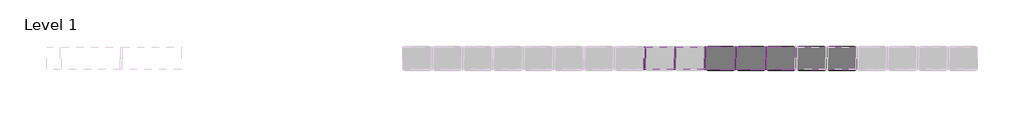
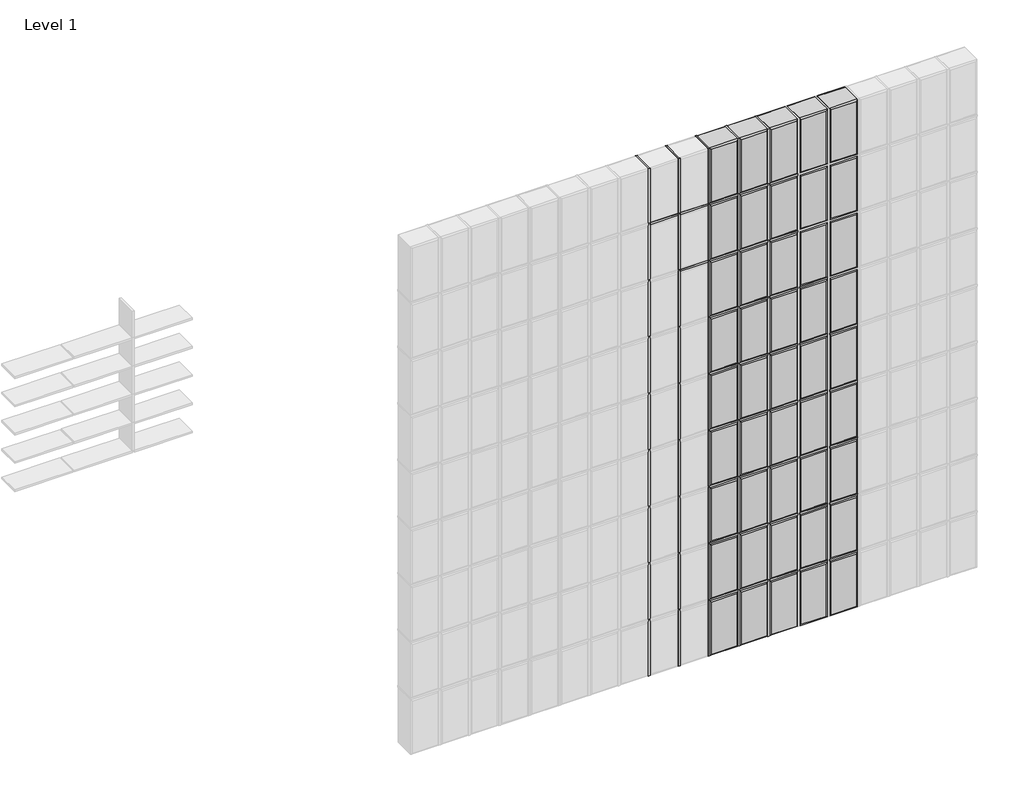
# One storey, part 15 of 16: 83 members, 45 plates.
"""IFC4 building model written with IfcOpenShell, lengths in millimetres."""

import ifcopenshell
import ifcopenshell.guid

model = None  # the IFC model being written
_history = None  # IfcOwnerHistory: only IFC2X3 demands one
_inside = {}  # id of a spatial element -> (the spatial element, [elements in it])
_under = {}  # id of a project, library or spatial element -> (it, [spatial elements below it])
_declared = {}  # id of a project -> (the project, [libraries it declares])
_typed = {}  # id of a type object -> (the type object, [elements of that type])
_made_of = {}  # id of a material, layer set ... -> (it, [elements and type objects made of it])


def new_model(schema):
    """Start an empty IFC model of exactly this schema.

    Asked for "IFC4X3", IfcOpenShell would pick the latest addendum, in which some entities
    have other attributes; the version numbers below select the first issue.
    IFC2X3 requires an IfcOwnerHistory on every rooted entity: one is made here for all.
    """
    global model, _history
    if schema == "IFC4X3":
        model = ifcopenshell.file(schema_version=(4, 3, 0, 0))
    else:
        model = ifcopenshell.file(schema=schema)
    _inside.clear()
    _under.clear()
    _declared.clear()
    _typed.clear()
    _made_of.clear()
    _history = None
    if model.schema == "IFC2X3":
        org = make("IfcOrganization", Name="unknown")
        user = make(
            "IfcPersonAndOrganization",
            ThePerson=make("IfcPerson", FamilyName="unknown"),
            TheOrganization=org,
        )
        app = make(
            "IfcApplication",
            ApplicationDeveloper=org,
            Version="unknown",
            ApplicationFullName="unknown",
            ApplicationIdentifier="unknown",
        )
        _history = make(
            "IfcOwnerHistory",
            OwningUser=user,
            OwningApplication=app,
            ChangeAction="ADDED",
            CreationDate=0,
        )
    return model


def make(cls, **values):
    """One entity of the class cls with the attributes given. An attribute that is None is left unset."""
    return model.create_entity(
        cls, **{name: value for name, value in values.items() if value is not None}
    )


def rooted(cls, **values):
    """An entity with a GlobalId (a new one), such as an element, a storey or a relation."""
    return make(cls, GlobalId=ifcopenshell.guid.new(), OwnerHistory=_history, **values)


def si_unit(unit_type, name, prefix=None):
    """IfcSIUnit, for example si_unit("LENGTHUNIT", "METRE", prefix="MILLI")."""
    return make("IfcSIUnit", UnitType=unit_type, Prefix=prefix, Name=name)


def assignment(units):
    """IfcUnitAssignment: the units of a project."""
    return None if units is None else make("IfcUnitAssignment", Units=units)


def point(xyz):
    """IfcCartesianPoint."""
    return None if xyz is None else make("IfcCartesianPoint", Coordinates=xyz)


def direction(xyz):
    """IfcDirection."""
    return None if xyz is None else make("IfcDirection", DirectionRatios=xyz)


def frame(location, z_axis=None, x_axis=None):
    """IfcAxis2Placement3D, a coordinate frame: its origin and axes. An axis left out is left unset."""
    return make(
        "IfcAxis2Placement3D",
        Location=point(location),
        Axis=direction(z_axis),
        RefDirection=direction(x_axis),
    )


def origin():
    """The frame at (0, 0, 0) with its axes left unset."""
    return frame((0.0, 0.0, 0.0))


def place(relative_to, where):
    """IfcLocalPlacement: puts the frame where relative to a parent placement (None: the world)."""
    return make(
        "IfcLocalPlacement", PlacementRelTo=relative_to, RelativePlacement=where
    )


def context(
    kind, dimensions, precision=None, world=None, true_north=None, identifier=None
):
    """IfcGeometricRepresentationContext, for example the 3D "Model" context."""
    return make(
        "IfcGeometricRepresentationContext",
        ContextIdentifier=identifier,
        ContextType=kind,
        CoordinateSpaceDimension=dimensions,
        Precision=precision,
        WorldCoordinateSystem=world,
        TrueNorth=true_north,
    )


def project(units=None, contexts=None):
    """IfcProject with its units and contexts."""
    return rooted(
        "IfcProject",
        Name="project",
        RepresentationContexts=contexts,
        UnitsInContext=assignment(units),
    )


def spatial(cls, under=None, at=None, **own):
    """A site, building, storey or space (cls), placed at a placement, below another one or the project."""
    s = rooted(cls, ObjectPlacement=at, **own)
    if under is not None:
        _under.setdefault(under.id(), (under, []))[1].append(s)
    return s


def polyline(points):
    """IfcPolyline through the points."""
    return make("IfcPolyline", Points=[point(p) for p in points])


def ellipse_curve(where, semi_axis1, semi_axis2):
    """IfcEllipse in the frame where."""
    return make(
        "IfcEllipse", Position=where, SemiAxis1=semi_axis1, SemiAxis2=semi_axis2
    )


def outline(outer, holes=None, kind="AREA"):
    """IfcArbitraryClosedProfileDef: a profile drawn as a closed curve; with holes, ...WithVoids."""
    if holes is None:
        return make("IfcArbitraryClosedProfileDef", ProfileType=kind, OuterCurve=outer)
    return make(
        "IfcArbitraryProfileDefWithVoids",
        ProfileType=kind,
        OuterCurve=outer,
        InnerCurves=holes,
    )


def extrude(swept, where, along, depth):
    """IfcExtrudedAreaSolid: the profile swept, set in the frame where, extruded along a direction by depth."""
    return make(
        "IfcExtrudedAreaSolid",
        SweptArea=swept,
        Position=where,
        ExtrudedDirection=direction(along),
        Depth=depth,
    )


def shape(context_of_items, identifier, shape_type, items):
    """IfcShapeRepresentation: the items that make up one representation, for example the "Body"."""
    return make(
        "IfcShapeRepresentation",
        ContextOfItems=context_of_items,
        RepresentationIdentifier=identifier,
        RepresentationType=shape_type,
        Items=items,
    )


def source(mapping_origin, context_of_items, identifier, shape_type, items):
    """IfcRepresentationMap: a shape defined once, which mapped items show again and again."""
    return make(
        "IfcRepresentationMap",
        MappingOrigin=mapping_origin,
        MappedRepresentation=shape(context_of_items, identifier, shape_type, items),
    )


def transform(
    local_origin,
    x_axis=None,
    y_axis=None,
    z_axis=None,
    scale=None,
    scale2=None,
    scale3=None,
    uniform=True,
):
    """IfcCartesianTransformationOperator3D, or its non-uniform kind. x_axis, y_axis, z_axis: its Axis1, 2, 3."""
    if uniform:
        return make(
            "IfcCartesianTransformationOperator3D",
            Axis1=direction(x_axis),
            Axis2=direction(y_axis),
            LocalOrigin=point(local_origin),
            Scale=scale,
            Axis3=direction(z_axis),
        )
    return make(
        "IfcCartesianTransformationOperator3DnonUniform",
        Axis1=direction(x_axis),
        Axis2=direction(y_axis),
        LocalOrigin=point(local_origin),
        Scale=scale,
        Axis3=direction(z_axis),
        Scale2=scale2,
        Scale3=scale3,
    )


def mapped(mapping_source, mapping_target):
    """IfcMappedItem: shows the shape of a source again, moved by a transform."""
    return make(
        "IfcMappedItem", MappingSource=mapping_source, MappingTarget=mapping_target
    )


def made_of(thing, what):
    """Note that an element or type object is made of a material, layer set ...; save() writes the relation."""
    if what is not None:
        _made_of.setdefault(what.id(), (what, []))[1].append(thing)
    return thing


def element(
    cls,
    number,
    at=None,
    inside=None,
    cuts=None,
    type_object=None,
    material=None,
    context=None,
    identifier="Body",
    shape_type=None,
    held_by="IfcProductDefinitionShape",
    body=None,
    shapes=None,
    **own,
):
    """One element of the class cls, such as IfcWall. Its Tag is "e" and its number.

    at: its placement. inside: the storey or other place that contains it. cuts: it is an
    opening in that element (IfcRelVoidsElement). A single representation is given by context,
    identifier, shape_type and body (its items); several are given by shapes. held_by: the class
    of the entity that holds the representations. save() writes the other relations.
    """
    e = rooted(cls, Tag="e%d" % number, ObjectPlacement=at, **own)
    if body is not None:
        shapes = [shape(context, identifier, shape_type, body)]
    if shapes is not None:
        e.Representation = make(held_by, Representations=shapes)
    if inside is not None:
        _inside.setdefault(inside.id(), (inside, []))[1].append(e)
    if cuts is not None:
        rooted(
            "IfcRelVoidsElement", RelatingBuildingElement=cuts, RelatedOpeningElement=e
        )
    if type_object is not None:
        _typed.setdefault(type_object.id(), (type_object, []))[1].append(e)
    return made_of(e, material)


def aggregate(whole, parts):
    """IfcRelAggregates: a whole, such as a stair, and the parts it consists of."""
    return rooted("IfcRelAggregates", RelatingObject=whole, RelatedObjects=parts)


def save(model, path):
    """Write the relations noted so far, then the file.

    IfcRelAggregates (storeys below a building ...), IfcRelContainedInSpatialStructure (elements
    in a storey), IfcRelDefinesByType, IfcRelAssociatesMaterial and IfcRelDeclares: one each for
    every whole, place, type object, material and project.
    """
    for whole, parts in _under.values():
        aggregate(whole, parts)
    for where, things in _inside.values():
        rooted(
            "IfcRelContainedInSpatialStructure",
            RelatedElements=things,
            RelatingStructure=where,
        )
    for kind, things in _typed.values():
        rooted("IfcRelDefinesByType", RelatedObjects=things, RelatingType=kind)
    for what, things in _made_of.values():
        rooted("IfcRelAssociatesMaterial", RelatedObjects=things, RelatingMaterial=what)
    for by, libraries in _declared.values():
        rooted("IfcRelDeclares", RelatingContext=by, RelatedDefinitions=libraries)
    model.write(path)


def plane_surface(at):
    """IfcPlane: the flat surface through the origin of the frame at, square to its z axis."""
    return make("IfcPlane", Position=at)


def cylinder_surface(at, radius):
    """IfcCylindricalSurface: all points at the distance radius from the z axis of the frame at."""
    return make("IfcCylindricalSurface", Position=at, Radius=radius)


def advanced_brep(points, edges, surfaces, faces):
    """IfcAdvancedBrep: a solid bounded by faces that lie on surfaces and meet in shared edges.

    An edge is (start, end): straight between two places in points (the first is 0);
    or (start, end, curve); or (start, end, curve, False) where it runs against its curve.
    A face is (place in surfaces, loops), or (place, loops, False) where it looks against
    its surface's normal. A loop lists edges by number (the first is 1), with a minus sign
    where the edge is run from its end to its start. The first loop is the outer one.
    """
    corners = [point(p) for p in points]
    vertices = [make("IfcVertexPoint", VertexGeometry=c) for c in corners]
    made = []
    for start, end, *more in edges:
        made.append(
            make(
                "IfcEdgeCurve",
                EdgeStart=vertices[start],
                EdgeEnd=vertices[end],
                EdgeGeometry=more[0] if more else make("IfcPolyline", Points=[corners[start], corners[end]]),
                SameSense=more[1] if len(more) > 1 else True,
            )
        )
    hull = []
    for where, loops, *sense in faces:
        bounds = []
        for j, loop in enumerate(loops):
            ring = [make("IfcOrientedEdge", EdgeElement=made[abs(k) - 1], Orientation=k > 0) for k in loop]
            bounds.append(
                make(
                    "IfcFaceOuterBound" if j == 0 else "IfcFaceBound",
                    Bound=make("IfcEdgeLoop", EdgeList=ring),
                    Orientation=True,
                )
            )
        hull.append(make("IfcAdvancedFace", Bounds=bounds, FaceSurface=surfaces[where], SameSense=sense[0] if sense else True))
    return make("IfcAdvancedBrep", Outer=make("IfcClosedShell", CfsFaces=hull))


def rectangular_mullion_b0a853b3(model_context):
    return source(origin(), model_context, "Body", "SweptSolid", [
        extrude(outline(polyline([(0.0, 38.1), (0.0, -38.1), (-6.35, -38.1), (-6.35, 38.1), (0.0, 38.1)])), frame((0.0, 0.0, -203.2), z_axis=(0.0, 0.0, 1.0), x_axis=(1.0, 0.0, 0.0)), (0.0, 0.0, 1.0), 203.2),
    ])


def rectangular_mullion_355404e9(model_context):
    return source(origin(), model_context, "Body", "SweptSolid", [
        extrude(outline(polyline([(0.0, 38.1), (0.0, -38.1), (-6.35, -38.1), (-6.35, 38.1), (0.0, 38.1)])), frame((0.0, 0.0, -95.25), z_axis=(0.0, 0.0, 1.0), x_axis=(1.0, 0.0, 0.0)), (0.0, 0.0, 1.0), 95.25),
    ])


def rectangular_mullion_cbf76049(model_context):
    return source(origin(), model_context, "Body", "SweptSolid", [
        extrude(outline(polyline([(0.0, 38.1), (0.0, -38.1), (-6.35, -38.1), (-6.35, 38.1), (0.0, 38.1)])), frame((0.0, 0.0, -197.0560278), z_axis=(0.0, 0.0, 1.0), x_axis=(1.0, 0.0, 0.0)), (0.0, 0.0, 1.0), 197.0560278),
    ])


def plate_f3653162(model_context):
    return source(origin(), model_context, "Body", "AdvancedBrep", [
        advanced_brep(
        [(-47.625, -35.0, 196.9869895), (47.375, -35.0, 196.9869895), (47.375, 35.0, 196.9869895), (-47.625, 35.0, 196.9869895), (47.375, -35.0, 0.0), (-47.625, -35.0, 0.0), (-47.625, 35.0, 0.0), (47.375, 35.0, 0.0), (-42.625, -40.0, 5.0), (42.375, -40.0, 5.0), (42.375, -40.0, 191.9869895), (-42.625, -40.0, 191.9869895), (42.375, 40.0, 5.0), (-42.625, 40.0, 5.0), (-42.625, 40.0, 191.9869895), (42.375, 40.0, 191.9869895)],
        [
            (0, 1),
            (1, 2),
            (2, 3),
            (3, 0),
            (4, 5),
            (5, 6),
            (6, 7),
            (7, 4),
            (8, 9),
            (9, 10),
            (10, 11),
            (11, 8),
            (1, 4),
            (7, 2),
            (12, 13),
            (13, 14),
            (14, 15),
            (15, 12),
            (5, 0),
            (3, 6),
            (4, 9, ellipse_curve(frame((42.375, -35.0, 5.0), z_axis=(-0.7071067811865475, 0.0, -0.7071067811865475), x_axis=(0.7071067811865476, 0.0, -0.7071067811865474)), 7.0710678, 5.0)),
            (8, 5, ellipse_curve(frame((-42.625, -35.0, 5.0), z_axis=(0.7071067811865475, 0.0, -0.7071067811865475), x_axis=(0.7071067811865476, 0.0, 0.7071067811865474)), 7.0710678, 5.0)),
            (1, 10, ellipse_curve(frame((42.375, -35.0, 191.9869895), z_axis=(0.7071067811865475, 0.0, -0.7071067811865475), x_axis=(0.7071067811865474, 0.0, 0.7071067811865476)), 7.0710678, 5.0)),
            (0, 11, ellipse_curve(frame((-42.625, -35.0, 191.9869895), z_axis=(0.7071067811865475, 0.0, 0.7071067811865475), x_axis=(-0.7071067811865476, 0.0, 0.7071067811865474)), 7.0710678, 5.0)),
            (12, 7, ellipse_curve(frame((42.375, 35.0, 5.0), z_axis=(-0.7071067811865475, 0.0, -0.7071067811865475), x_axis=(0.7071067811865476, 0.0, -0.7071067811865474)), 7.0710678, 5.0)),
            (6, 13, ellipse_curve(frame((-42.625, 35.0, 5.0), z_axis=(0.7071067811865475, 0.0, -0.7071067811865475), x_axis=(0.7071067811865476, 0.0, 0.7071067811865474)), 7.0710678, 5.0)),
            (15, 2, ellipse_curve(frame((42.375, 35.0, 191.9869895), z_axis=(0.7071067811865475, 0.0, -0.7071067811865475), x_axis=(0.7071067811865474, 0.0, 0.7071067811865476)), 7.0710678, 5.0)),
            (14, 3, ellipse_curve(frame((-42.625, 35.0, 191.9869895), z_axis=(0.7071067811865475, 0.0, 0.7071067811865475), x_axis=(-0.7071067811865476, 0.0, 0.7071067811865474)), 7.0710678, 5.0)),
        ],
        [
            plane_surface(frame((-47.625, -40.0, 196.9869895), z_axis=(0.0, 0.0, 1.0), x_axis=(1.0, 0.0, 0.0))),
            plane_surface(frame((-47.625, -40.0, 0.0), z_axis=(0.0, 0.0, -1.0), x_axis=(-1.0, 0.0, 0.0))),
            plane_surface(frame((-47.625, -40.0, 196.9869895), z_axis=(0.0, -1.0, 0.0), x_axis=(0.0, 0.0, -1.0))),
            plane_surface(frame((47.375, -40.0, 196.9869895), z_axis=(1.0, 0.0, 0.0), x_axis=(0.0, 0.0, -1.0))),
            plane_surface(frame((47.375, 40.0, 196.9869895), z_axis=(0.0, 1.0, 0.0), x_axis=(0.0, 0.0, -1.0))),
            plane_surface(frame((-47.625, 40.0, 196.9869895), z_axis=(-1.0, 0.0, 0.0), x_axis=(0.0, 0.0, -1.0))),
            cylinder_surface(frame((-47.625, -35.0, 5.0), z_axis=(1.0, 0.0, 0.0), x_axis=(0.0, 0.0, -1.0)), 5.0),
            cylinder_surface(frame((42.375, -35.0, 0.0), z_axis=(0.0, 0.0, 1.0), x_axis=(1.0, 0.0, 0.0)), 5.0),
            cylinder_surface(frame((47.375, -35.0, 191.9869895), z_axis=(-1.0, 0.0, 0.0), x_axis=(0.0, 0.0, 1.0)), 5.0),
            cylinder_surface(frame((-42.625, -35.0, 196.9869895), z_axis=(0.0, 0.0, -1.0), x_axis=(-1.0, 0.0, 0.0)), 5.0),
            cylinder_surface(frame((-47.625, 35.0, 5.0), z_axis=(1.0, 0.0, 0.0), x_axis=(0.0, 0.0, -1.0)), 5.0),
            cylinder_surface(frame((42.375, 35.0, 0.0), z_axis=(0.0, 0.0, 1.0), x_axis=(1.0, 0.0, 0.0)), 5.0),
            cylinder_surface(frame((47.375, 35.0, 191.9869895), z_axis=(-1.0, 0.0, 0.0), x_axis=(0.0, 0.0, 1.0)), 5.0),
            cylinder_surface(frame((-42.625, 35.0, 196.9869895), z_axis=(0.0, 0.0, -1.0), x_axis=(-1.0, 0.0, 0.0)), 5.0),
        ],
        [
            (0, [[1, 2, 3, 4]]),
            (1, [[5, 6, 7, 8]]),
            (2, [[9, 10, 11, 12]]),
            (3, [[13, -8, 14, -2]]),
            (4, [[15, 16, 17, 18]]),
            (5, [[19, -4, 20, -6]]),
            (6, [[21, -9, 22, -5]]),
            (7, [[-21, -13, 23, -10]]),
            (8, [[-23, -1, 24, -11]]),
            (9, [[-22, -12, -24, -19]]),
            (10, [[25, -7, 26, -15]]),
            (11, [[-25, -18, 27, -14]]),
            (12, [[-27, -17, 28, -3]]),
            (13, [[-26, -20, -28, -16]]),
        ],
    ),
    ])


model = new_model("IFC4")

# Units and contexts
model_context = context("Model", 3, world=origin())
ifc_project = project(units=[si_unit("LENGTHUNIT", "METRE", prefix="MILLI")], contexts=[model_context])

# Site, building, storey
site = spatial("IfcSite", under=ifc_project)
building = spatial("IfcBuilding", under=site)
storey = spatial("IfcBuildingStorey", under=building, Name="Level 1", Elevation=0.0)

# Members
placement = place(None, origin())
rectangular_mullion_shape = rectangular_mullion_b0a853b3(model_context)
element("IfcMember", 1, ObjectType="Rectangular Mullion", at=placement, inside=storey, context=model_context, shape_type="MappedRepresentation", body=[
    mapped(rectangular_mullion_shape, transform((15249.1435515, 1505.1519435, 203.2), x_axis=(1.0, 0.0, 0.0), y_axis=(0.0, -1.0, 0.0), z_axis=(0.0, 0.0, -1.0))),
])
element("IfcMember", 2, ObjectType="Rectangular Mullion", at=placement, inside=storey, context=model_context, shape_type="MappedRepresentation", body=[
    mapped(rectangular_mullion_shape, transform((15350.7435515, 1505.1519435, 203.2), x_axis=(1.0, 0.0, 0.0), y_axis=(0.0, -1.0, 0.0), z_axis=(0.0, 0.0, -1.0))),
])
element("IfcMember", 3, ObjectType="Rectangular Mullion", at=placement, inside=storey, context=model_context, shape_type="MappedRepresentation", body=[
    mapped(rectangular_mullion_shape, transform((15249.1435515, 1505.1519435, 406.4), x_axis=(1.0, 0.0, 0.0), y_axis=(0.0, -1.0, 0.0), z_axis=(0.0, 0.0, -1.0))),
])
element("IfcMember", 4, ObjectType="Rectangular Mullion", at=placement, inside=storey, context=model_context, shape_type="MappedRepresentation", body=[
    mapped(rectangular_mullion_shape, transform((15350.7435515, 1505.1519435, 406.4), x_axis=(1.0, 0.0, 0.0), y_axis=(0.0, -1.0, 0.0), z_axis=(0.0, 0.0, -1.0))),
])
element("IfcMember", 5, ObjectType="Rectangular Mullion", at=placement, inside=storey, context=model_context, shape_type="MappedRepresentation", body=[
    mapped(rectangular_mullion_shape, transform((15249.1435515, 1505.1519435, 609.6), x_axis=(1.0, 0.0, 0.0), y_axis=(0.0, -1.0, 0.0), z_axis=(0.0, 0.0, -1.0))),
])
element("IfcMember", 6, ObjectType="Rectangular Mullion", at=placement, inside=storey, context=model_context, shape_type="MappedRepresentation", body=[
    mapped(rectangular_mullion_shape, transform((15350.7435515, 1505.1519435, 609.6), x_axis=(1.0, 0.0, 0.0), y_axis=(0.0, -1.0, 0.0), z_axis=(0.0, 0.0, -1.0))),
])
element("IfcMember", 7, ObjectType="Rectangular Mullion", at=placement, inside=storey, context=model_context, shape_type="MappedRepresentation", body=[
    mapped(rectangular_mullion_shape, transform((15249.1435515, 1505.1519435, 812.8), x_axis=(1.0, 0.0, 0.0), y_axis=(0.0, -1.0, 0.0), z_axis=(0.0, 0.0, -1.0))),
])
element("IfcMember", 8, ObjectType="Rectangular Mullion", at=placement, inside=storey, context=model_context, shape_type="MappedRepresentation", body=[
    mapped(rectangular_mullion_shape, transform((15350.7435515, 1505.1519435, 812.8), x_axis=(1.0, 0.0, 0.0), y_axis=(0.0, -1.0, 0.0), z_axis=(0.0, 0.0, -1.0))),
])
element("IfcMember", 9, ObjectType="Rectangular Mullion", at=placement, inside=storey, context=model_context, shape_type="MappedRepresentation", body=[
    mapped(rectangular_mullion_shape, transform((15249.1435515, 1505.1519435, 1016.0), x_axis=(1.0, 0.0, 0.0), y_axis=(0.0, -1.0, 0.0), z_axis=(0.0, 0.0, -1.0))),
])
element("IfcMember", 10, ObjectType="Rectangular Mullion", at=placement, inside=storey, context=model_context, shape_type="MappedRepresentation", body=[
    mapped(rectangular_mullion_shape, transform((15350.7435515, 1505.1519435, 1016.0), x_axis=(1.0, 0.0, 0.0), y_axis=(0.0, -1.0, 0.0), z_axis=(0.0, 0.0, -1.0))),
])
element("IfcMember", 11, ObjectType="Rectangular Mullion", at=placement, inside=storey, context=model_context, shape_type="MappedRepresentation", body=[
    mapped(rectangular_mullion_shape, transform((15249.1435515, 1505.1519435, 1219.2), x_axis=(1.0, 0.0, 0.0), y_axis=(0.0, -1.0, 0.0), z_axis=(0.0, 0.0, -1.0))),
])
element("IfcMember", 12, ObjectType="Rectangular Mullion", at=placement, inside=storey, context=model_context, shape_type="MappedRepresentation", body=[
    mapped(rectangular_mullion_shape, transform((15350.7435515, 1505.1519435, 1219.2), x_axis=(1.0, 0.0, 0.0), y_axis=(0.0, -1.0, 0.0), z_axis=(0.0, 0.0, -1.0))),
])
element("IfcMember", 13, ObjectType="Rectangular Mullion", at=placement, inside=storey, context=model_context, shape_type="MappedRepresentation", body=[
    mapped(rectangular_mullion_shape, transform((15249.1435515, 1505.1519435, 1422.4), x_axis=(1.0, 0.0, 0.0), y_axis=(0.0, -1.0, 0.0), z_axis=(0.0, 0.0, -1.0))),
])
element("IfcMember", 14, ObjectType="Rectangular Mullion", at=placement, inside=storey, context=model_context, shape_type="MappedRepresentation", body=[
    mapped(rectangular_mullion_shape, transform((15350.7435515, 1505.1519435, 1422.4), x_axis=(1.0, 0.0, 0.0), y_axis=(0.0, -1.0, 0.0), z_axis=(0.0, 0.0, -1.0))),
])
element("IfcMember", 15, ObjectType="Rectangular Mullion", at=placement, inside=storey, context=model_context, shape_type="MappedRepresentation", body=[
    mapped(rectangular_mullion_shape, transform((15452.3435515, 1505.1519435, 203.2), x_axis=(1.0, 0.0, 0.0), y_axis=(0.0, -1.0, 0.0), z_axis=(0.0, 0.0, -1.0))),
])
element("IfcMember", 16, ObjectType="Rectangular Mullion", at=placement, inside=storey, context=model_context, shape_type="MappedRepresentation", body=[
    mapped(rectangular_mullion_shape, transform((15553.9435515, 1505.1519435, 203.2), x_axis=(1.0, 0.0, 0.0), y_axis=(0.0, -1.0, 0.0), z_axis=(0.0, 0.0, -1.0))),
])
element("IfcMember", 17, ObjectType="Rectangular Mullion", at=placement, inside=storey, context=model_context, shape_type="MappedRepresentation", body=[
    mapped(rectangular_mullion_shape, transform((15655.5435515, 1505.1519435, 203.2), x_axis=(1.0, 0.0, 0.0), y_axis=(0.0, -1.0, 0.0), z_axis=(0.0, 0.0, -1.0))),
])
element("IfcMember", 18, ObjectType="Rectangular Mullion", at=placement, inside=storey, context=model_context, shape_type="MappedRepresentation", body=[
    mapped(rectangular_mullion_shape, transform((15452.3435515, 1505.1519435, 406.4), x_axis=(1.0, 0.0, 0.0), y_axis=(0.0, -1.0, 0.0), z_axis=(0.0, 0.0, -1.0))),
])
element("IfcMember", 19, ObjectType="Rectangular Mullion", at=placement, inside=storey, context=model_context, shape_type="MappedRepresentation", body=[
    mapped(rectangular_mullion_shape, transform((15553.9435515, 1505.1519435, 406.4), x_axis=(1.0, 0.0, 0.0), y_axis=(0.0, -1.0, 0.0), z_axis=(0.0, 0.0, -1.0))),
])
element("IfcMember", 20, ObjectType="Rectangular Mullion", at=placement, inside=storey, context=model_context, shape_type="MappedRepresentation", body=[
    mapped(rectangular_mullion_shape, transform((15655.5435515, 1505.1519435, 406.4), x_axis=(1.0, 0.0, 0.0), y_axis=(0.0, -1.0, 0.0), z_axis=(0.0, 0.0, -1.0))),
])
element("IfcMember", 21, ObjectType="Rectangular Mullion", at=placement, inside=storey, context=model_context, shape_type="MappedRepresentation", body=[
    mapped(rectangular_mullion_shape, transform((15452.3435515, 1505.1519435, 609.6), x_axis=(1.0, 0.0, 0.0), y_axis=(0.0, -1.0, 0.0), z_axis=(0.0, 0.0, -1.0))),
])
element("IfcMember", 22, ObjectType="Rectangular Mullion", at=placement, inside=storey, context=model_context, shape_type="MappedRepresentation", body=[
    mapped(rectangular_mullion_shape, transform((15553.9435515, 1505.1519435, 609.6), x_axis=(1.0, 0.0, 0.0), y_axis=(0.0, -1.0, 0.0), z_axis=(0.0, 0.0, -1.0))),
])
element("IfcMember", 23, ObjectType="Rectangular Mullion", at=placement, inside=storey, context=model_context, shape_type="MappedRepresentation", body=[
    mapped(rectangular_mullion_shape, transform((15655.5435515, 1505.1519435, 609.6), x_axis=(1.0, 0.0, 0.0), y_axis=(0.0, -1.0, 0.0), z_axis=(0.0, 0.0, -1.0))),
])
element("IfcMember", 24, ObjectType="Rectangular Mullion", at=placement, inside=storey, context=model_context, shape_type="MappedRepresentation", body=[
    mapped(rectangular_mullion_shape, transform((15452.3435515, 1505.1519435, 812.8), x_axis=(1.0, 0.0, 0.0), y_axis=(0.0, -1.0, 0.0), z_axis=(0.0, 0.0, -1.0))),
])
element("IfcMember", 25, ObjectType="Rectangular Mullion", at=placement, inside=storey, context=model_context, shape_type="MappedRepresentation", body=[
    mapped(rectangular_mullion_shape, transform((15553.9435515, 1505.1519435, 812.8), x_axis=(1.0, 0.0, 0.0), y_axis=(0.0, -1.0, 0.0), z_axis=(0.0, 0.0, -1.0))),
])
element("IfcMember", 26, ObjectType="Rectangular Mullion", at=placement, inside=storey, context=model_context, shape_type="MappedRepresentation", body=[
    mapped(rectangular_mullion_shape, transform((15655.5435515, 1505.1519435, 812.8), x_axis=(1.0, 0.0, 0.0), y_axis=(0.0, -1.0, 0.0), z_axis=(0.0, 0.0, -1.0))),
])
element("IfcMember", 27, ObjectType="Rectangular Mullion", at=placement, inside=storey, context=model_context, shape_type="MappedRepresentation", body=[
    mapped(rectangular_mullion_shape, transform((15452.3435515, 1505.1519435, 1016.0), x_axis=(1.0, 0.0, 0.0), y_axis=(0.0, -1.0, 0.0), z_axis=(0.0, 0.0, -1.0))),
])
element("IfcMember", 28, ObjectType="Rectangular Mullion", at=placement, inside=storey, context=model_context, shape_type="MappedRepresentation", body=[
    mapped(rectangular_mullion_shape, transform((15553.9435515, 1505.1519435, 1016.0), x_axis=(1.0, 0.0, 0.0), y_axis=(0.0, -1.0, 0.0), z_axis=(0.0, 0.0, -1.0))),
])
element("IfcMember", 29, ObjectType="Rectangular Mullion", at=placement, inside=storey, context=model_context, shape_type="MappedRepresentation", body=[
    mapped(rectangular_mullion_shape, transform((15655.5435515, 1505.1519435, 1016.0), x_axis=(1.0, 0.0, 0.0), y_axis=(0.0, -1.0, 0.0), z_axis=(0.0, 0.0, -1.0))),
])
element("IfcMember", 30, ObjectType="Rectangular Mullion", at=placement, inside=storey, context=model_context, shape_type="MappedRepresentation", body=[
    mapped(rectangular_mullion_shape, transform((15452.3435515, 1505.1519435, 1219.2), x_axis=(1.0, 0.0, 0.0), y_axis=(0.0, -1.0, 0.0), z_axis=(0.0, 0.0, -1.0))),
])
element("IfcMember", 31, ObjectType="Rectangular Mullion", at=placement, inside=storey, context=model_context, shape_type="MappedRepresentation", body=[
    mapped(rectangular_mullion_shape, transform((15553.9435515, 1505.1519435, 1219.2), x_axis=(1.0, 0.0, 0.0), y_axis=(0.0, -1.0, 0.0), z_axis=(0.0, 0.0, -1.0))),
])
element("IfcMember", 32, ObjectType="Rectangular Mullion", at=placement, inside=storey, context=model_context, shape_type="MappedRepresentation", body=[
    mapped(rectangular_mullion_shape, transform((15655.5435515, 1505.1519435, 1219.2), x_axis=(1.0, 0.0, 0.0), y_axis=(0.0, -1.0, 0.0), z_axis=(0.0, 0.0, -1.0))),
])
element("IfcMember", 33, ObjectType="Rectangular Mullion", at=placement, inside=storey, context=model_context, shape_type="MappedRepresentation", body=[
    mapped(rectangular_mullion_shape, transform((15452.3435515, 1505.1519435, 1422.4), x_axis=(1.0, 0.0, 0.0), y_axis=(0.0, -1.0, 0.0), z_axis=(0.0, 0.0, -1.0))),
])
element("IfcMember", 34, ObjectType="Rectangular Mullion", at=placement, inside=storey, context=model_context, shape_type="MappedRepresentation", body=[
    mapped(rectangular_mullion_shape, transform((15553.9435515, 1505.1519435, 1422.4), x_axis=(1.0, 0.0, 0.0), y_axis=(0.0, -1.0, 0.0), z_axis=(0.0, 0.0, -1.0))),
])
element("IfcMember", 35, ObjectType="Rectangular Mullion", at=placement, inside=storey, context=model_context, shape_type="MappedRepresentation", body=[
    mapped(rectangular_mullion_shape, transform((15655.5435515, 1505.1519435, 1422.4), x_axis=(1.0, 0.0, 0.0), y_axis=(0.0, -1.0, 0.0), z_axis=(0.0, 0.0, -1.0))),
])
rectangular_mullion_2_shape = rectangular_mullion_355404e9(model_context)
element("IfcMember", 36, ObjectType="Rectangular Mullion", at=placement, inside=storey, context=model_context, shape_type="MappedRepresentation", body=[
    mapped(rectangular_mullion_2_shape, transform((15445.9935515, 1505.1519435, 1422.4), x_axis=(0.0, 0.0, 1.0), y_axis=(0.0, -1.0, 0.0), z_axis=(1.0, 0.0, 0.0))),
])
element("IfcMember", 37, ObjectType="Rectangular Mullion", at=placement, inside=storey, context=model_context, shape_type="MappedRepresentation", body=[
    mapped(rectangular_mullion_2_shape, transform((15344.3935515, 1505.1519435, 1625.6), x_axis=(0.0, 0.0, 1.0), y_axis=(0.0, -1.0, 0.0), z_axis=(1.0, 0.0, 0.0))),
])
element("IfcMember", 38, ObjectType="Rectangular Mullion", at=placement, inside=storey, context=model_context, shape_type="MappedRepresentation", body=[
    mapped(rectangular_mullion_2_shape, transform((15445.9935515, 1505.1519435, 1625.6), x_axis=(0.0, 0.0, 1.0), y_axis=(0.0, -1.0, 0.0), z_axis=(1.0, 0.0, 0.0))),
])
element("IfcMember", 39, ObjectType="Rectangular Mullion", at=placement, inside=storey, context=model_context, shape_type="MappedRepresentation", body=[
    mapped(rectangular_mullion_2_shape, transform((15547.5935515, 1505.1519435, 203.2), x_axis=(0.0, 0.0, 1.0), y_axis=(0.0, -1.0, 0.0), z_axis=(1.0, 0.0, 0.0))),
])
element("IfcMember", 40, ObjectType="Rectangular Mullion", at=placement, inside=storey, context=model_context, shape_type="MappedRepresentation", body=[
    mapped(rectangular_mullion_2_shape, transform((15649.1935515, 1505.1519435, 203.2), x_axis=(0.0, 0.0, 1.0), y_axis=(0.0, -1.0, 0.0), z_axis=(1.0, 0.0, 0.0))),
])
element("IfcMember", 41, ObjectType="Rectangular Mullion", at=placement, inside=storey, context=model_context, shape_type="MappedRepresentation", body=[
    mapped(rectangular_mullion_2_shape, transform((15750.7935515, 1505.1519435, 203.2), x_axis=(0.0, 0.0, 1.0), y_axis=(0.0, -1.0, 0.0), z_axis=(1.0, 0.0, 0.0))),
])
element("IfcMember", 42, ObjectType="Rectangular Mullion", at=placement, inside=storey, context=model_context, shape_type="MappedRepresentation", body=[
    mapped(rectangular_mullion_2_shape, transform((15547.5935515, 1505.1519435, 406.4), x_axis=(0.0, 0.0, 1.0), y_axis=(0.0, -1.0, 0.0), z_axis=(1.0, 0.0, 0.0))),
])
element("IfcMember", 43, ObjectType="Rectangular Mullion", at=placement, inside=storey, context=model_context, shape_type="MappedRepresentation", body=[
    mapped(rectangular_mullion_2_shape, transform((15649.1935515, 1505.1519435, 406.4), x_axis=(0.0, 0.0, 1.0), y_axis=(0.0, -1.0, 0.0), z_axis=(1.0, 0.0, 0.0))),
])
element("IfcMember", 44, ObjectType="Rectangular Mullion", at=placement, inside=storey, context=model_context, shape_type="MappedRepresentation", body=[
    mapped(rectangular_mullion_2_shape, transform((15750.7935515, 1505.1519435, 406.4), x_axis=(0.0, 0.0, 1.0), y_axis=(0.0, -1.0, 0.0), z_axis=(1.0, 0.0, 0.0))),
])
element("IfcMember", 45, ObjectType="Rectangular Mullion", at=placement, inside=storey, context=model_context, shape_type="MappedRepresentation", body=[
    mapped(rectangular_mullion_2_shape, transform((15547.5935515, 1505.1519435, 609.6), x_axis=(0.0, 0.0, 1.0), y_axis=(0.0, -1.0, 0.0), z_axis=(1.0, 0.0, 0.0))),
])
element("IfcMember", 46, ObjectType="Rectangular Mullion", at=placement, inside=storey, context=model_context, shape_type="MappedRepresentation", body=[
    mapped(rectangular_mullion_2_shape, transform((15649.1935515, 1505.1519435, 609.6), x_axis=(0.0, 0.0, 1.0), y_axis=(0.0, -1.0, 0.0), z_axis=(1.0, 0.0, 0.0))),
])
element("IfcMember", 47, ObjectType="Rectangular Mullion", at=placement, inside=storey, context=model_context, shape_type="MappedRepresentation", body=[
    mapped(rectangular_mullion_2_shape, transform((15750.7935515, 1505.1519435, 609.6), x_axis=(0.0, 0.0, 1.0), y_axis=(0.0, -1.0, 0.0), z_axis=(1.0, 0.0, 0.0))),
])
element("IfcMember", 48, ObjectType="Rectangular Mullion", at=placement, inside=storey, context=model_context, shape_type="MappedRepresentation", body=[
    mapped(rectangular_mullion_2_shape, transform((15547.5935515, 1505.1519435, 812.8), x_axis=(0.0, 0.0, 1.0), y_axis=(0.0, -1.0, 0.0), z_axis=(1.0, 0.0, 0.0))),
])
element("IfcMember", 49, ObjectType="Rectangular Mullion", at=placement, inside=storey, context=model_context, shape_type="MappedRepresentation", body=[
    mapped(rectangular_mullion_2_shape, transform((15649.1935515, 1505.1519435, 812.8), x_axis=(0.0, 0.0, 1.0), y_axis=(0.0, -1.0, 0.0), z_axis=(1.0, 0.0, 0.0))),
])
element("IfcMember", 50, ObjectType="Rectangular Mullion", at=placement, inside=storey, context=model_context, shape_type="MappedRepresentation", body=[
    mapped(rectangular_mullion_2_shape, transform((15750.7935515, 1505.1519435, 812.8), x_axis=(0.0, 0.0, 1.0), y_axis=(0.0, -1.0, 0.0), z_axis=(1.0, 0.0, 0.0))),
])
element("IfcMember", 51, ObjectType="Rectangular Mullion", at=placement, inside=storey, context=model_context, shape_type="MappedRepresentation", body=[
    mapped(rectangular_mullion_2_shape, transform((15547.5935515, 1505.1519435, 1016.0), x_axis=(0.0, 0.0, 1.0), y_axis=(0.0, -1.0, 0.0), z_axis=(1.0, 0.0, 0.0))),
])
element("IfcMember", 52, ObjectType="Rectangular Mullion", at=placement, inside=storey, context=model_context, shape_type="MappedRepresentation", body=[
    mapped(rectangular_mullion_2_shape, transform((15649.1935515, 1505.1519435, 1016.0), x_axis=(0.0, 0.0, 1.0), y_axis=(0.0, -1.0, 0.0), z_axis=(1.0, 0.0, 0.0))),
])
element("IfcMember", 53, ObjectType="Rectangular Mullion", at=placement, inside=storey, context=model_context, shape_type="MappedRepresentation", body=[
    mapped(rectangular_mullion_2_shape, transform((15750.7935515, 1505.1519435, 1016.0), x_axis=(0.0, 0.0, 1.0), y_axis=(0.0, -1.0, 0.0), z_axis=(1.0, 0.0, 0.0))),
])
element("IfcMember", 54, ObjectType="Rectangular Mullion", at=placement, inside=storey, context=model_context, shape_type="MappedRepresentation", body=[
    mapped(rectangular_mullion_2_shape, transform((15547.5935515, 1505.1519435, 1219.2), x_axis=(0.0, 0.0, 1.0), y_axis=(0.0, -1.0, 0.0), z_axis=(1.0, 0.0, 0.0))),
])
element("IfcMember", 55, ObjectType="Rectangular Mullion", at=placement, inside=storey, context=model_context, shape_type="MappedRepresentation", body=[
    mapped(rectangular_mullion_2_shape, transform((15649.1935515, 1505.1519435, 1219.2), x_axis=(0.0, 0.0, 1.0), y_axis=(0.0, -1.0, 0.0), z_axis=(1.0, 0.0, 0.0))),
])
element("IfcMember", 56, ObjectType="Rectangular Mullion", at=placement, inside=storey, context=model_context, shape_type="MappedRepresentation", body=[
    mapped(rectangular_mullion_2_shape, transform((15750.7935515, 1505.1519435, 1219.2), x_axis=(0.0, 0.0, 1.0), y_axis=(0.0, -1.0, 0.0), z_axis=(1.0, 0.0, 0.0))),
])
element("IfcMember", 57, ObjectType="Rectangular Mullion", at=placement, inside=storey, context=model_context, shape_type="MappedRepresentation", body=[
    mapped(rectangular_mullion_2_shape, transform((15547.5935515, 1505.1519435, 1422.4), x_axis=(0.0, 0.0, 1.0), y_axis=(0.0, -1.0, 0.0), z_axis=(1.0, 0.0, 0.0))),
])
element("IfcMember", 58, ObjectType="Rectangular Mullion", at=placement, inside=storey, context=model_context, shape_type="MappedRepresentation", body=[
    mapped(rectangular_mullion_2_shape, transform((15649.1935515, 1505.1519435, 1422.4), x_axis=(0.0, 0.0, 1.0), y_axis=(0.0, -1.0, 0.0), z_axis=(1.0, 0.0, 0.0))),
])
element("IfcMember", 59, ObjectType="Rectangular Mullion", at=placement, inside=storey, context=model_context, shape_type="MappedRepresentation", body=[
    mapped(rectangular_mullion_2_shape, transform((15750.7935515, 1505.1519435, 1422.4), x_axis=(0.0, 0.0, 1.0), y_axis=(0.0, -1.0, 0.0), z_axis=(1.0, 0.0, 0.0))),
])
element("IfcMember", 60, ObjectType="Rectangular Mullion", at=placement, inside=storey, context=model_context, shape_type="MappedRepresentation", body=[
    mapped(rectangular_mullion_2_shape, transform((15547.5935515, 1505.1519435, 1625.6), x_axis=(0.0, 0.0, 1.0), y_axis=(0.0, -1.0, 0.0), z_axis=(1.0, 0.0, 0.0))),
])
element("IfcMember", 61, ObjectType="Rectangular Mullion", at=placement, inside=storey, context=model_context, shape_type="MappedRepresentation", body=[
    mapped(rectangular_mullion_2_shape, transform((15649.1935515, 1505.1519435, 1625.6), x_axis=(0.0, 0.0, 1.0), y_axis=(0.0, -1.0, 0.0), z_axis=(1.0, 0.0, 0.0))),
])
element("IfcMember", 62, ObjectType="Rectangular Mullion", at=placement, inside=storey, context=model_context, shape_type="MappedRepresentation", body=[
    mapped(rectangular_mullion_2_shape, transform((15750.7935515, 1505.1519435, 1625.6), x_axis=(0.0, 0.0, 1.0), y_axis=(0.0, -1.0, 0.0), z_axis=(1.0, 0.0, 0.0))),
])
element("IfcMember", 63, ObjectType="Rectangular Mullion", at=placement, inside=storey, context=model_context, shape_type="MappedRepresentation", body=[
    mapped(rectangular_mullion_2_shape, transform((15852.3935515, 1505.1519435, 203.2), x_axis=(0.0, 0.0, 1.0), y_axis=(0.0, -1.0, 0.0), z_axis=(1.0, 0.0, 0.0))),
])
element("IfcMember", 64, ObjectType="Rectangular Mullion", at=placement, inside=storey, context=model_context, shape_type="MappedRepresentation", body=[
    mapped(rectangular_mullion_2_shape, transform((15953.9935515, 1505.1519435, 203.2), x_axis=(0.0, 0.0, 1.0), y_axis=(0.0, -1.0, 0.0), z_axis=(1.0, 0.0, 0.0))),
])
element("IfcMember", 65, ObjectType="Rectangular Mullion", at=placement, inside=storey, context=model_context, shape_type="MappedRepresentation", body=[
    mapped(rectangular_mullion_2_shape, transform((15852.3935515, 1505.1519435, 406.4), x_axis=(0.0, 0.0, 1.0), y_axis=(0.0, -1.0, 0.0), z_axis=(1.0, 0.0, 0.0))),
])
element("IfcMember", 66, ObjectType="Rectangular Mullion", at=placement, inside=storey, context=model_context, shape_type="MappedRepresentation", body=[
    mapped(rectangular_mullion_2_shape, transform((15953.9935515, 1505.1519435, 406.4), x_axis=(0.0, 0.0, 1.0), y_axis=(0.0, -1.0, 0.0), z_axis=(1.0, 0.0, 0.0))),
])
element("IfcMember", 67, ObjectType="Rectangular Mullion", at=placement, inside=storey, context=model_context, shape_type="MappedRepresentation", body=[
    mapped(rectangular_mullion_2_shape, transform((15852.3935515, 1505.1519435, 609.6), x_axis=(0.0, 0.0, 1.0), y_axis=(0.0, -1.0, 0.0), z_axis=(1.0, 0.0, 0.0))),
])
element("IfcMember", 68, ObjectType="Rectangular Mullion", at=placement, inside=storey, context=model_context, shape_type="MappedRepresentation", body=[
    mapped(rectangular_mullion_2_shape, transform((15953.9935515, 1505.1519435, 609.6), x_axis=(0.0, 0.0, 1.0), y_axis=(0.0, -1.0, 0.0), z_axis=(1.0, 0.0, 0.0))),
])
element("IfcMember", 69, ObjectType="Rectangular Mullion", at=placement, inside=storey, context=model_context, shape_type="MappedRepresentation", body=[
    mapped(rectangular_mullion_2_shape, transform((15852.3935515, 1505.1519435, 812.8), x_axis=(0.0, 0.0, 1.0), y_axis=(0.0, -1.0, 0.0), z_axis=(1.0, 0.0, 0.0))),
])
element("IfcMember", 70, ObjectType="Rectangular Mullion", at=placement, inside=storey, context=model_context, shape_type="MappedRepresentation", body=[
    mapped(rectangular_mullion_2_shape, transform((15953.9935515, 1505.1519435, 812.8), x_axis=(0.0, 0.0, 1.0), y_axis=(0.0, -1.0, 0.0), z_axis=(1.0, 0.0, 0.0))),
])
element("IfcMember", 71, ObjectType="Rectangular Mullion", at=placement, inside=storey, context=model_context, shape_type="MappedRepresentation", body=[
    mapped(rectangular_mullion_2_shape, transform((15852.3935515, 1505.1519435, 1016.0), x_axis=(0.0, 0.0, 1.0), y_axis=(0.0, -1.0, 0.0), z_axis=(1.0, 0.0, 0.0))),
])
element("IfcMember", 72, ObjectType="Rectangular Mullion", at=placement, inside=storey, context=model_context, shape_type="MappedRepresentation", body=[
    mapped(rectangular_mullion_2_shape, transform((15953.9935515, 1505.1519435, 1016.0), x_axis=(0.0, 0.0, 1.0), y_axis=(0.0, -1.0, 0.0), z_axis=(1.0, 0.0, 0.0))),
])
element("IfcMember", 73, ObjectType="Rectangular Mullion", at=placement, inside=storey, context=model_context, shape_type="MappedRepresentation", body=[
    mapped(rectangular_mullion_2_shape, transform((15852.3935515, 1505.1519435, 1219.2), x_axis=(0.0, 0.0, 1.0), y_axis=(0.0, -1.0, 0.0), z_axis=(1.0, 0.0, 0.0))),
])
element("IfcMember", 74, ObjectType="Rectangular Mullion", at=placement, inside=storey, context=model_context, shape_type="MappedRepresentation", body=[
    mapped(rectangular_mullion_shape, transform((15249.1435515, 1505.1519435, 0.0), x_axis=(1.0, 0.0, 0.0), y_axis=(0.0, -1.0, 0.0), z_axis=(0.0, 0.0, -1.0))),
])
element("IfcMember", 75, ObjectType="Rectangular Mullion", at=placement, inside=storey, context=model_context, shape_type="MappedRepresentation", body=[
    mapped(rectangular_mullion_shape, transform((15350.7435515, 1505.1519435, 0.0), x_axis=(1.0, 0.0, 0.0), y_axis=(0.0, -1.0, 0.0), z_axis=(0.0, 0.0, -1.0))),
])
element("IfcMember", 76, ObjectType="Rectangular Mullion", at=placement, inside=storey, context=model_context, shape_type="MappedRepresentation", body=[
    mapped(rectangular_mullion_shape, transform((15452.3435515, 1505.1519435, 0.0), x_axis=(1.0, 0.0, 0.0), y_axis=(0.0, -1.0, 0.0), z_axis=(0.0, 0.0, -1.0))),
])
element("IfcMember", 77, ObjectType="Rectangular Mullion", at=placement, inside=storey, context=model_context, shape_type="MappedRepresentation", body=[
    mapped(rectangular_mullion_shape, transform((15553.9435515, 1505.1519435, 0.0), x_axis=(1.0, 0.0, 0.0), y_axis=(0.0, -1.0, 0.0), z_axis=(0.0, 0.0, -1.0))),
])
element("IfcMember", 78, ObjectType="Rectangular Mullion", at=placement, inside=storey, context=model_context, shape_type="MappedRepresentation", body=[
    mapped(rectangular_mullion_shape, transform((15655.5435515, 1505.1519435, 0.0), x_axis=(1.0, 0.0, 0.0), y_axis=(0.0, -1.0, 0.0), z_axis=(0.0, 0.0, -1.0))),
])
rectangular_mullion_3_shape = rectangular_mullion_cbf76049(model_context)
element("IfcMember", 79, ObjectType="Rectangular Mullion", at=placement, inside=storey, context=model_context, shape_type="MappedRepresentation", body=[
    mapped(rectangular_mullion_3_shape, transform((15249.1435515, 1505.1519435, 1625.6), x_axis=(1.0, 0.0, 0.0), y_axis=(0.0, -1.0, 0.0), z_axis=(0.0, 0.0, -1.0))),
])
element("IfcMember", 80, ObjectType="Rectangular Mullion", at=placement, inside=storey, context=model_context, shape_type="MappedRepresentation", body=[
    mapped(rectangular_mullion_3_shape, transform((15350.7435515, 1505.1519435, 1625.6), x_axis=(1.0, 0.0, 0.0), y_axis=(0.0, -1.0, 0.0), z_axis=(0.0, 0.0, -1.0))),
])
element("IfcMember", 81, ObjectType="Rectangular Mullion", at=placement, inside=storey, context=model_context, shape_type="MappedRepresentation", body=[
    mapped(rectangular_mullion_3_shape, transform((15452.3435515, 1505.1519435, 1625.6), x_axis=(1.0, 0.0, 0.0), y_axis=(0.0, -1.0, 0.0), z_axis=(0.0, 0.0, -1.0))),
])
element("IfcMember", 82, ObjectType="Rectangular Mullion", at=placement, inside=storey, context=model_context, shape_type="MappedRepresentation", body=[
    mapped(rectangular_mullion_3_shape, transform((15553.9435515, 1505.1519435, 1625.6), x_axis=(1.0, 0.0, 0.0), y_axis=(0.0, -1.0, 0.0), z_axis=(0.0, 0.0, -1.0))),
])
element("IfcMember", 83, ObjectType="Rectangular Mullion", at=placement, inside=storey, context=model_context, shape_type="MappedRepresentation", body=[
    mapped(rectangular_mullion_3_shape, transform((15655.5435515, 1505.1519435, 1625.6), x_axis=(1.0, 0.0, 0.0), y_axis=(0.0, -1.0, 0.0), z_axis=(0.0, 0.0, -1.0))),
])

# Plates
plate_shape = plate_f3653162(model_context)
element("IfcPlate", 84, at=placement, inside=storey, context=model_context, shape_type="MappedRepresentation", body=[
    mapped(plate_shape, transform((15499.9685515, 1505.1519435, 0.0), x_axis=(1.0, 0.0, 0.0), y_axis=(0.0, 1.0, 0.0), z_axis=(0.0, 0.0, 1.0))),
])
element("IfcPlate", 85, at=placement, inside=storey, context=model_context, shape_type="MappedRepresentation", body=[
    mapped(plate_shape, transform((15499.9685515, 1505.1519435, 203.2), x_axis=(1.0, 0.0, 0.0), y_axis=(0.0, 1.0, 0.0), z_axis=(0.0, 0.0, 1.0))),
])
element("IfcPlate", 86, at=placement, inside=storey, context=model_context, shape_type="MappedRepresentation", body=[
    mapped(plate_shape, transform((15499.9685515, 1505.1519435, 406.4), x_axis=(1.0, 0.0, 0.0), y_axis=(0.0, 1.0, 0.0), z_axis=(0.0, 0.0, 1.0))),
])
element("IfcPlate", 87, at=placement, inside=storey, context=model_context, shape_type="MappedRepresentation", body=[
    mapped(plate_shape, transform((15499.9685515, 1505.1519435, 609.6), x_axis=(1.0, 0.0, 0.0), y_axis=(0.0, 1.0, 0.0), z_axis=(0.0, 0.0, 1.0))),
])
element("IfcPlate", 88, at=placement, inside=storey, context=model_context, shape_type="MappedRepresentation", body=[
    mapped(plate_shape, transform((15499.9685515, 1505.1519435, 812.8), x_axis=(1.0, 0.0, 0.0), y_axis=(0.0, 1.0, 0.0), z_axis=(0.0, 0.0, 1.0))),
])
element("IfcPlate", 89, at=placement, inside=storey, context=model_context, shape_type="MappedRepresentation", body=[
    mapped(plate_shape, transform((15499.9685515, 1505.1519435, 1016.0), x_axis=(1.0, 0.0, 0.0), y_axis=(0.0, 1.0, 0.0), z_axis=(0.0, 0.0, 1.0))),
])
element("IfcPlate", 90, at=placement, inside=storey, context=model_context, shape_type="MappedRepresentation", body=[
    mapped(plate_shape, transform((15499.9685515, 1505.1519435, 1219.2), x_axis=(1.0, 0.0, 0.0), y_axis=(0.0, 1.0, 0.0), z_axis=(0.0, 0.0, 1.0))),
])
element("IfcPlate", 91, at=placement, inside=storey, context=model_context, shape_type="MappedRepresentation", body=[
    mapped(plate_shape, transform((15499.9685515, 1505.1519435, 1422.4), x_axis=(1.0, 0.0, 0.0), y_axis=(0.0, 1.0, 0.0), z_axis=(0.0, 0.0, 1.0))),
])
element("IfcPlate", 92, at=placement, inside=storey, context=model_context, shape_type="MappedRepresentation", body=[
    mapped(plate_shape, transform((15601.5685515, 1505.1519435, 0.0), x_axis=(1.0, 0.0, 0.0), y_axis=(0.0, 1.0, 0.0), z_axis=(0.0, 0.0, 1.0))),
])
element("IfcPlate", 93, at=placement, inside=storey, context=model_context, shape_type="MappedRepresentation", body=[
    mapped(plate_shape, transform((15601.5685515, 1505.1519435, 203.2), x_axis=(1.0, 0.0, 0.0), y_axis=(0.0, 1.0, 0.0), z_axis=(0.0, 0.0, 1.0))),
])
element("IfcPlate", 94, at=placement, inside=storey, context=model_context, shape_type="MappedRepresentation", body=[
    mapped(plate_shape, transform((15601.5685515, 1505.1519435, 406.4), x_axis=(1.0, 0.0, 0.0), y_axis=(0.0, 1.0, 0.0), z_axis=(0.0, 0.0, 1.0))),
])
element("IfcPlate", 95, at=placement, inside=storey, context=model_context, shape_type="MappedRepresentation", body=[
    mapped(plate_shape, transform((15601.5685515, 1505.1519435, 609.6), x_axis=(1.0, 0.0, 0.0), y_axis=(0.0, 1.0, 0.0), z_axis=(0.0, 0.0, 1.0))),
])
element("IfcPlate", 96, at=placement, inside=storey, context=model_context, shape_type="MappedRepresentation", body=[
    mapped(plate_shape, transform((15601.5685515, 1505.1519435, 812.8), x_axis=(1.0, 0.0, 0.0), y_axis=(0.0, 1.0, 0.0), z_axis=(0.0, 0.0, 1.0))),
])
element("IfcPlate", 97, at=placement, inside=storey, context=model_context, shape_type="MappedRepresentation", body=[
    mapped(plate_shape, transform((15601.5685515, 1505.1519435, 1016.0), x_axis=(1.0, 0.0, 0.0), y_axis=(0.0, 1.0, 0.0), z_axis=(0.0, 0.0, 1.0))),
])
element("IfcPlate", 98, at=placement, inside=storey, context=model_context, shape_type="MappedRepresentation", body=[
    mapped(plate_shape, transform((15601.5685515, 1505.1519435, 1219.2), x_axis=(1.0, 0.0, 0.0), y_axis=(0.0, 1.0, 0.0), z_axis=(0.0, 0.0, 1.0))),
])
element("IfcPlate", 99, at=placement, inside=storey, context=model_context, shape_type="MappedRepresentation", body=[
    mapped(plate_shape, transform((15601.5685515, 1505.1519435, 1422.4), x_axis=(1.0, 0.0, 0.0), y_axis=(0.0, 1.0, 0.0), z_axis=(0.0, 0.0, 1.0))),
])
element("IfcPlate", 100, at=placement, inside=storey, context=model_context, shape_type="MappedRepresentation", body=[
    mapped(plate_shape, transform((15703.1685515, 1505.1519435, 0.0), x_axis=(1.0, 0.0, 0.0), y_axis=(0.0, 1.0, 0.0), z_axis=(0.0, 0.0, 1.0))),
])
element("IfcPlate", 101, at=placement, inside=storey, context=model_context, shape_type="MappedRepresentation", body=[
    mapped(plate_shape, transform((15703.1685515, 1505.1519435, 203.2), x_axis=(1.0, 0.0, 0.0), y_axis=(0.0, 1.0, 0.0), z_axis=(0.0, 0.0, 1.0))),
])
element("IfcPlate", 102, at=placement, inside=storey, context=model_context, shape_type="MappedRepresentation", body=[
    mapped(plate_shape, transform((15703.1685515, 1505.1519435, 406.4), x_axis=(1.0, 0.0, 0.0), y_axis=(0.0, 1.0, 0.0), z_axis=(0.0, 0.0, 1.0))),
])
element("IfcPlate", 103, at=placement, inside=storey, context=model_context, shape_type="MappedRepresentation", body=[
    mapped(plate_shape, transform((15703.1685515, 1505.1519435, 609.6), x_axis=(1.0, 0.0, 0.0), y_axis=(0.0, 1.0, 0.0), z_axis=(0.0, 0.0, 1.0))),
])
element("IfcPlate", 104, at=placement, inside=storey, context=model_context, shape_type="MappedRepresentation", body=[
    mapped(plate_shape, transform((15703.1685515, 1505.1519435, 812.8), x_axis=(1.0, 0.0, 0.0), y_axis=(0.0, 1.0, 0.0), z_axis=(0.0, 0.0, 1.0))),
])
element("IfcPlate", 105, at=placement, inside=storey, context=model_context, shape_type="MappedRepresentation", body=[
    mapped(plate_shape, transform((15703.1685515, 1505.1519435, 1016.0), x_axis=(1.0, 0.0, 0.0), y_axis=(0.0, 1.0, 0.0), z_axis=(0.0, 0.0, 1.0))),
])
element("IfcPlate", 106, at=placement, inside=storey, context=model_context, shape_type="MappedRepresentation", body=[
    mapped(plate_shape, transform((15703.1685515, 1505.1519435, 1219.2), x_axis=(1.0, 0.0, 0.0), y_axis=(0.0, 1.0, 0.0), z_axis=(0.0, 0.0, 1.0))),
])
element("IfcPlate", 107, at=placement, inside=storey, context=model_context, shape_type="MappedRepresentation", body=[
    mapped(plate_shape, transform((15703.1685515, 1505.1519435, 1422.4), x_axis=(1.0, 0.0, 0.0), y_axis=(0.0, 1.0, 0.0), z_axis=(0.0, 0.0, 1.0))),
])
element("IfcPlate", 108, at=placement, inside=storey, context=model_context, shape_type="MappedRepresentation", body=[
    mapped(plate_shape, transform((15804.7685515, 1505.1519435, 0.0), x_axis=(1.0, 0.0, 0.0), y_axis=(0.0, 1.0, 0.0), z_axis=(0.0, 0.0, 1.0))),
])
element("IfcPlate", 109, at=placement, inside=storey, context=model_context, shape_type="MappedRepresentation", body=[
    mapped(plate_shape, transform((15804.7685515, 1505.1519435, 203.2), x_axis=(1.0, 0.0, 0.0), y_axis=(0.0, 1.0, 0.0), z_axis=(0.0, 0.0, 1.0))),
])
element("IfcPlate", 110, at=placement, inside=storey, context=model_context, shape_type="MappedRepresentation", body=[
    mapped(plate_shape, transform((15804.7685515, 1505.1519435, 406.4), x_axis=(1.0, 0.0, 0.0), y_axis=(0.0, 1.0, 0.0), z_axis=(0.0, 0.0, 1.0))),
])
element("IfcPlate", 111, at=placement, inside=storey, context=model_context, shape_type="MappedRepresentation", body=[
    mapped(plate_shape, transform((15804.7685515, 1505.1519435, 609.6), x_axis=(1.0, 0.0, 0.0), y_axis=(0.0, 1.0, 0.0), z_axis=(0.0, 0.0, 1.0))),
])
element("IfcPlate", 112, at=placement, inside=storey, context=model_context, shape_type="MappedRepresentation", body=[
    mapped(plate_shape, transform((15804.7685515, 1505.1519435, 812.8), x_axis=(1.0, 0.0, 0.0), y_axis=(0.0, 1.0, 0.0), z_axis=(0.0, 0.0, 1.0))),
])
element("IfcPlate", 113, at=placement, inside=storey, context=model_context, shape_type="MappedRepresentation", body=[
    mapped(plate_shape, transform((15804.7685515, 1505.1519435, 1016.0), x_axis=(1.0, 0.0, 0.0), y_axis=(0.0, 1.0, 0.0), z_axis=(0.0, 0.0, 1.0))),
])
element("IfcPlate", 114, at=placement, inside=storey, context=model_context, shape_type="MappedRepresentation", body=[
    mapped(plate_shape, transform((15804.7685515, 1505.1519435, 1219.2), x_axis=(1.0, 0.0, 0.0), y_axis=(0.0, 1.0, 0.0), z_axis=(0.0, 0.0, 1.0))),
])
element("IfcPlate", 115, at=placement, inside=storey, context=model_context, shape_type="MappedRepresentation", body=[
    mapped(plate_shape, transform((15804.7685515, 1505.1519435, 1422.4), x_axis=(1.0, 0.0, 0.0), y_axis=(0.0, 1.0, 0.0), z_axis=(0.0, 0.0, 1.0))),
])
element("IfcPlate", 116, at=placement, inside=storey, context=model_context, shape_type="MappedRepresentation", body=[
    mapped(plate_shape, transform((15906.3685515, 1505.1519435, 0.0), x_axis=(1.0, 0.0, 0.0), y_axis=(0.0, 1.0, 0.0), z_axis=(0.0, 0.0, 1.0))),
])
element("IfcPlate", 117, at=placement, inside=storey, context=model_context, shape_type="MappedRepresentation", body=[
    mapped(plate_shape, transform((15906.3685515, 1505.1519435, 203.2), x_axis=(1.0, 0.0, 0.0), y_axis=(0.0, 1.0, 0.0), z_axis=(0.0, 0.0, 1.0))),
])
element("IfcPlate", 118, at=placement, inside=storey, context=model_context, shape_type="MappedRepresentation", body=[
    mapped(plate_shape, transform((15906.3685515, 1505.1519435, 406.4), x_axis=(1.0, 0.0, 0.0), y_axis=(0.0, 1.0, 0.0), z_axis=(0.0, 0.0, 1.0))),
])
element("IfcPlate", 119, at=placement, inside=storey, context=model_context, shape_type="MappedRepresentation", body=[
    mapped(plate_shape, transform((15906.3685515, 1505.1519435, 609.6), x_axis=(1.0, 0.0, 0.0), y_axis=(0.0, 1.0, 0.0), z_axis=(0.0, 0.0, 1.0))),
])
element("IfcPlate", 120, at=placement, inside=storey, context=model_context, shape_type="MappedRepresentation", body=[
    mapped(plate_shape, transform((15906.3685515, 1505.1519435, 812.8), x_axis=(1.0, 0.0, 0.0), y_axis=(0.0, 1.0, 0.0), z_axis=(0.0, 0.0, 1.0))),
])
element("IfcPlate", 121, at=placement, inside=storey, context=model_context, shape_type="MappedRepresentation", body=[
    mapped(plate_shape, transform((15906.3685515, 1505.1519435, 1016.0), x_axis=(1.0, 0.0, 0.0), y_axis=(0.0, 1.0, 0.0), z_axis=(0.0, 0.0, 1.0))),
])
element("IfcPlate", 122, at=placement, inside=storey, context=model_context, shape_type="MappedRepresentation", body=[
    mapped(plate_shape, transform((15906.3685515, 1505.1519435, 1219.2), x_axis=(1.0, 0.0, 0.0), y_axis=(0.0, 1.0, 0.0), z_axis=(0.0, 0.0, 1.0))),
])
element("IfcPlate", 123, at=placement, inside=storey, context=model_context, shape_type="MappedRepresentation", body=[
    mapped(plate_shape, transform((15906.3685515, 1505.1519435, 1422.4), x_axis=(1.0, 0.0, 0.0), y_axis=(0.0, 1.0, 0.0), z_axis=(0.0, 0.0, 1.0))),
])
element("IfcPlate", 124, at=placement, inside=storey, context=model_context, shape_type="MappedRepresentation", body=[
    mapped(plate_shape, transform((15499.9685515, 1505.1519435, 1625.6), x_axis=(1.0, 0.0, 0.0), y_axis=(0.0, 1.0, 0.0), z_axis=(0.0, 0.0, 1.0))),
])
element("IfcPlate", 125, at=placement, inside=storey, context=model_context, shape_type="MappedRepresentation", body=[
    mapped(plate_shape, transform((15601.5685515, 1505.1519435, 1625.6), x_axis=(1.0, 0.0, 0.0), y_axis=(0.0, 1.0, 0.0), z_axis=(0.0, 0.0, 1.0))),
])
element("IfcPlate", 126, at=placement, inside=storey, context=model_context, shape_type="MappedRepresentation", body=[
    mapped(plate_shape, transform((15703.1685515, 1505.1519435, 1625.6), x_axis=(1.0, 0.0, 0.0), y_axis=(0.0, 1.0, 0.0), z_axis=(0.0, 0.0, 1.0))),
])
element("IfcPlate", 127, at=placement, inside=storey, context=model_context, shape_type="MappedRepresentation", body=[
    mapped(plate_shape, transform((15804.7685515, 1505.1519435, 1625.6), x_axis=(1.0, 0.0, 0.0), y_axis=(0.0, 1.0, 0.0), z_axis=(0.0, 0.0, 1.0))),
])
element("IfcPlate", 128, at=placement, inside=storey, context=model_context, shape_type="MappedRepresentation", body=[
    mapped(plate_shape, transform((15906.3685515, 1505.1519435, 1625.6), x_axis=(1.0, 0.0, 0.0), y_axis=(0.0, 1.0, 0.0), z_axis=(0.0, 0.0, 1.0))),
])

save(model, "model.ifc")
